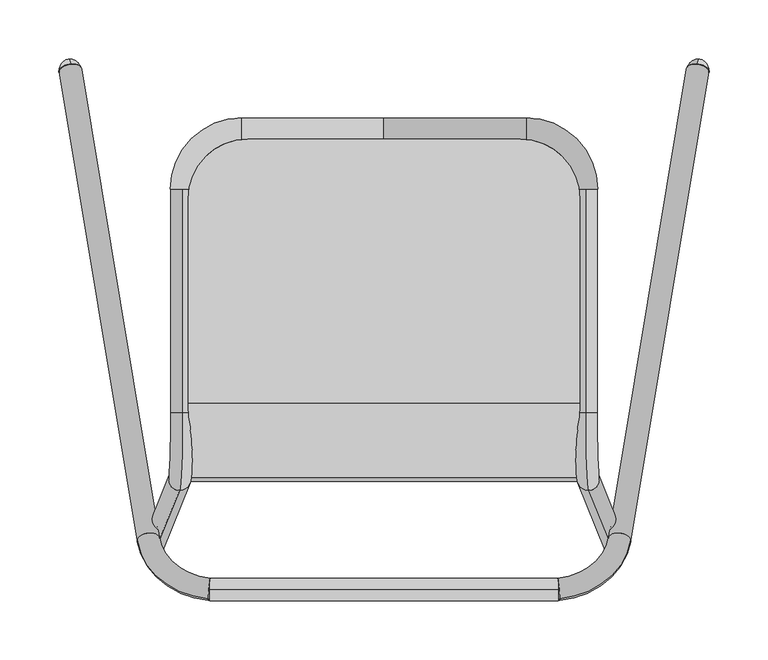
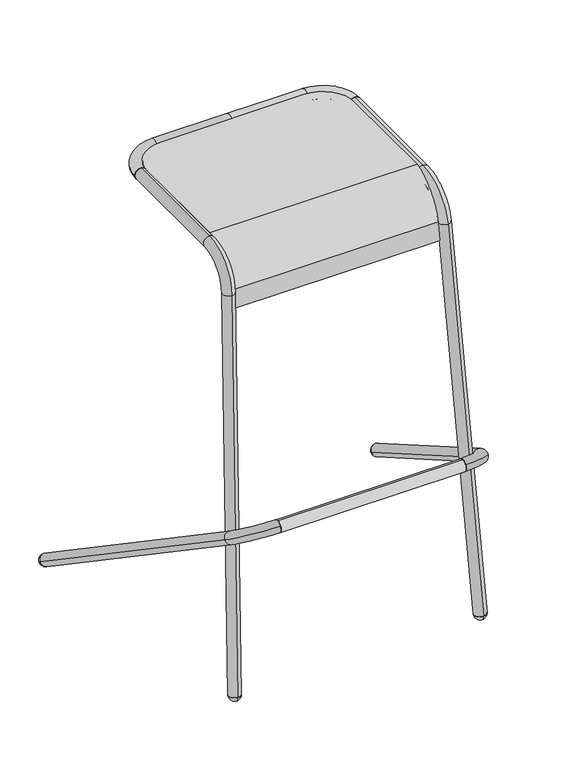
"""IFC4 building model written with IfcOpenShell, lengths in millimetres: furniture geometry."""

from ifc_helpers import new_model, si_unit, point, frame, frame_2d, origin, place, context, project, spatial, polyline, circle_curve, ellipse_curve, trimmed, segment, composite_curve, outline, extrude, source, transform, mapped, element, save
from ifc_brep_helpers import plane_surface, cylinder_surface, revolved_surface, advanced_brep


def furniture_110c650b(model_context):
    return source(origin(), model_context, "Body", "SolidModel", [
        advanced_brep(
        [(166.1553626, 13.2289178, 706.2716814), (-166.1553626, 13.2289178, 706.2716814), (-166.1553626, -50.0294455, 648.3060711), (166.1553626, -50.0294455, 648.3060711), (-166.1553626, -52.7052818, 617.7211229), (166.1553626, -52.7052818, 617.7211229), (-166.1553626, -49.5181538, 617.7211229), (166.1553626, -49.5181538, 617.7211229), (-166.1553626, -46.8665274, 648.0293516), (166.1553626, -46.8665274, 648.0293516), (-166.1553626, 13.2289178, 703.0966814), (166.1553626, 13.2289178, 703.0966814), (-166.1553626, 187.0067261, 703.0966814), (-115.3553626, 237.8067261, 703.0966814), (115.3553626, 237.8067261, 703.0966814), (166.1553626, 187.0067261, 703.0966814), (166.1553626, 187.0067261, 706.2716814), (115.3553626, 237.8067261, 706.2716814), (-115.3553626, 237.8067261, 706.2716814), (-166.1553626, 187.0067261, 706.2716814)],
        [
            (0, 1),
            (1, 2, circle_curve(frame((-166.1553626, 13.2289178, 642.7716814), z_axis=(1.0, 0.0, 0.0), x_axis=(0.0, 0.0, 1.0)), 63.5)),
            (2, 3),
            (3, 0, circle_curve(frame((166.1553626, 13.2289178, 642.7716814), z_axis=(-1.0, 0.0, 0.0), x_axis=(0.0, 0.0, 1.0)), 63.5)),
            (2, 4),
            (4, 5),
            (5, 3),
            (4, 6),
            (6, 7),
            (7, 5),
            (6, 8),
            (8, 9),
            (9, 7),
            (8, 10, circle_curve(frame((-166.1553626, 13.2289178, 642.7716814), z_axis=(-1.0, 0.0, 0.0), x_axis=(0.0, 0.0, 1.0)), 60.325)),
            (10, 11),
            (11, 9, circle_curve(frame((166.1553626, 13.2289178, 642.7716814), z_axis=(1.0, 0.0, 0.0), x_axis=(0.0, 0.0, 1.0)), 60.325)),
            (10, 12),
            (12, 13, circle_curve(frame((-115.3553626, 187.0067261, 703.0966814), z_axis=(0.0, 0.0, -1.0), x_axis=(0.0, -1.0, 0.0)), 50.8)),
            (13, 14),
            (14, 15, circle_curve(frame((115.3553626, 187.0067261, 703.0966814), z_axis=(0.0, 0.0, -1.0), x_axis=(0.0, -1.0, 0.0)), 50.8)),
            (15, 11),
            (0, 16),
            (16, 17, circle_curve(frame((115.3553626, 187.0067261, 706.2716814), z_axis=(0.0, 0.0, 1.0), x_axis=(0.0, -1.0, 0.0)), 50.8)),
            (17, 18),
            (18, 19, circle_curve(frame((-115.3553626, 187.0067261, 706.2716814), z_axis=(0.0, 0.0, 1.0), x_axis=(0.0, -1.0, 0.0)), 50.8)),
            (19, 1),
            (19, 12),
            (18, 13),
            (17, 14),
            (16, 15),
        ],
        [
            cylinder_surface(frame((-177.8, 13.2289178, 642.7716814), z_axis=(1.0, 0.0, 0.0), x_axis=(0.0, 0.0, 1.0)), 63.5),
            plane_surface(frame((177.8, -50.0294455, 648.3060711), z_axis=(0.0, -0.9961946980917477, 0.08715574274763373), x_axis=(-1.0, 0.0, 0.0))),
            plane_surface(frame((177.8, -52.7052818, 617.7211229), z_axis=(0.0, 0.0, -1.0), x_axis=(-1.0, 0.0, 0.0))),
            plane_surface(frame((177.8, -49.5181538, 617.7211229), z_axis=(0.0, 0.9961946980917455, -0.08715574274765774), x_axis=(-1.0, 0.0, 0.0))),
            revolved_surface(polyline([(-166.1553626, 13.2289178, 703.0966814000001), (166.1553626, 13.2289178, 703.0966814000001)]), (-177.8, 13.2289178, 642.7716814), (-1.0, 0.0, 0.0)),
            plane_surface(frame((177.8, 13.2289178, 703.0966814), z_axis=(0.0, 0.0, -1.0), x_axis=(-1.0, 0.0, 0.0))),
            plane_surface(frame((177.8, 246.3238297, 706.2716814), z_axis=(0.0, 0.0, 1.0), x_axis=(-1.0, 0.0, 0.0))),
            plane_surface(frame((-166.1553626, -97.7641973, 876.3), z_axis=(-1.0, 0.0, 0.0), x_axis=(0.0, 0.0, -1.0))),
            cylinder_surface(frame((-115.3553626, 187.0067261, 564.8398382), z_axis=(0.0, 0.0, -1.0), x_axis=(0.0, -1.0, 0.0)), 50.8),
            plane_surface(frame((-115.3553626, 237.8067261, 876.3), z_axis=(0.0, 1.0, 0.0), x_axis=(0.0, 0.0, -1.0))),
            cylinder_surface(frame((115.3553626, 187.0067261, 564.8398382), z_axis=(0.0, 0.0, -1.0), x_axis=(0.0, -1.0, 0.0)), 50.8),
            plane_surface(frame((166.1553626, 187.0067261, 876.3), z_axis=(1.0, 0.0, 0.0), x_axis=(0.0, 0.0, -1.0))),
        ],
        [
            (0, [[1, 2, 3, 4]]),
            (1, [[-3, 5, 6, 7]]),
            (2, [[-6, 8, 9, 10]]),
            (3, [[-9, 11, 12, 13]]),
            (4, [[-12, 14, 15, 16]]),
            (5, [[-15, 17, 18, 19, 20, 21]]),
            (6, [[-1, 22, 23, 24, 25, 26]]),
            (7, [[27, -17, -14, -11, -8, -5, -2, -26]]),
            (8, [[-27, -25, 28, -18]]),
            (9, [[-28, -24, 29, -19]]),
            (10, [[-29, -23, 30, -20]]),
            (11, [[-30, -22, -4, -7, -10, -13, -16, -21]]),
        ],
    ),
        extrude(outline(composite_curve([segment(trimmed(circle_curve(frame_2d((-144.5282705, 298.5492187)), 9.525), [point((-144.5282705, 289.0242187))], [point((-144.5282705, 308.0742187))], False, "CARTESIAN"), True, "CONTINUOUS"), segment(trimmed(circle_curve(frame_2d((-144.5282705, 298.5492187)), 9.525), [point((-144.5282705, 308.0742187))], [point((-144.5282705, 289.0242187))], False, "CARTESIAN"), True, "CONTINUOUS")], self_intersect=False)), frame((-147.9351563, 0.0, 0.0), z_axis=(1.0, 0.0, 0.0), x_axis=(0.0, 1.0, 0.0)), (0.0, 0.0, 1.0), 295.8703125),
        advanced_brep(
        [(267.3511482, 302.8554624, 11.3608379), (267.909329, 299.9320435, 6.951825), (266.7929674, 305.7788813, 15.7698507), (265.2733289, 301.5607787, 23.4390126), (267.2706493, 291.1000036, 7.6623849), (266.2719891, 296.3303912, 15.5506988)],
        [
            (0, 1),
            (1, 2, circle_curve(frame((267.3511482, 302.8554624, 11.3608379), z_axis=(0.13783805935553609, 0.8334296167362872, -0.535159549424193), x_axis=(0.10493059011884284, -0.5495639765616034, -0.828835934864741)), 5.3195242)),
            (2, 0),
            (2, 1, circle_curve(frame((267.3511482, 302.8554624, 11.3608379), z_axis=(0.13783805935553609, 0.8334296167362872, -0.535159549424193), x_axis=(0.10493059011884284, -0.5495639765616034, -0.828835934864741)), 5.3195242)),
            (3, 4, circle_curve(frame((266.2719891, 296.3303912, 15.5506988), z_axis=(-0.13783805935553609, -0.8334296167362872, 0.535159549424193), x_axis=(0.10493059011884284, -0.5495639765616034, -0.828835934864741)), 9.5173406)),
            (4, 5),
            (5, 3),
            (4, 3, circle_curve(frame((266.2719891, 296.3303912, 15.5506988), z_axis=(-0.13783805935553609, -0.8334296167362872, 0.535159549424193), x_axis=(0.10493059011884284, -0.5495639765616034, -0.828835934864741)), 9.5173406)),
            (1, 4, circle_curve(frame((265.7476607, 296.5740086, 18.8015741), z_axis=(-0.9848808256080588, 0.05809052945707333, -0.1632030935276227), x_axis=(-0.12781551371487535, -0.8795865336707184, 0.4582474486987713)), 12.5046296)),
            (3, 2, circle_curve(frame((266.3527626, 293.4048449, 14.0219362), z_axis=(-0.9848808256080589, 0.05809052945706945, -0.16320309352762402), x_axis=(-0.1467377232844927, -0.7804832624069772, 0.6077120351513912)), 12.5046296)),
        ],
        [
            plane_surface(frame((267.3511482, 302.8554624, 11.3608379), z_axis=(0.13783805935553545, 0.8334296167362873, -0.5351595494241931), x_axis=(0.10493059011884281, -0.5495639765616033, -0.8288359348647408))),
            plane_surface(frame((266.2719891, 296.3303912, 15.5506988), z_axis=(-0.13783805935553545, -0.8334296167362873, 0.5351595494241931), x_axis=(0.10493059011884281, -0.5495639765616033, -0.8288359348647408))),
            revolved_surface(trimmed(ellipse_curve(frame((265.7476607, 296.5740086, 18.8015741), z_axis=(0.9848808256080588, -0.05809052945707333, 0.1632030935276227), x_axis=(-0.12781551371487535, -0.8795865336707184, 0.4582474486987713)), 12.5046296, 12.5046296), [point((267.2706493, 291.1000036, 7.6623849))], [point((267.909329, 299.9320435, 6.951825))], True, "CARTESIAN"), (268.3000597, 308.5929994, 7.6766662), (0.13783805935553609, 0.8334296167362872, -0.535159549424193)),
            revolved_surface(trimmed(ellipse_curve(frame((265.7476607, 296.5740086, 18.8015741), z_axis=(0.9848808256080588, -0.05809052945707386, 0.16320309352762305), x_axis=(-0.12781551371487596, -0.8795865336707183, 0.45824744869877126)), 12.5046296, 12.5046296), [point((267.2706493, 291.1000036, 7.6623849))], [point((267.909329, 299.9320435, 6.951825))], True, "CARTESIAN"), (268.3000597, 308.5929994, 7.6766662), (0.13783805935553609, 0.8334296167362872, -0.535159549424193)),
        ],
        [
            (0, [[1, 2, 3]]),
            (0, [[-3, 4, -1]]),
            (1, [[5, 6, 7]]),
            (1, [[8, -7, -6]]),
            (2, [[-2, 9, -5, 10]]),
            (3, [[-4, -10, -8, -9]]),
        ],
    ),
        advanced_brep(
        [(256.4107109, 297.3629354, 14.8032444), (275.2788744, 295.153413, 16.2220169), (209.4590818, -102.8220432, 271.76893), (190.5909182, -100.6125208, 270.3501575), (146.8976341, -136.3228435, 293.2803724), (148.9726784, -152.2573059, 303.5121659)],
        [
            (0, 1, circle_curve(frame((265.8447926, 296.2581742, 15.5126307), z_axis=(0.13783805935553617, 0.8334296167362902, -0.5351595494241881), x_axis=(0.9904547790752992, -0.11598542750998722, 0.07447624595953939)), 9.525)),
            (1, 0, circle_curve(frame((265.8447926, 296.2581742, 15.5126307), z_axis=(0.13783805935553617, 0.8334296167362902, -0.5351595494241881), x_axis=(0.9904547790752992, -0.11598542750998722, 0.07447624595953939)), 9.525)),
            (1, 2),
            (2, 3, circle_curve(frame((200.025, -101.717282, 271.0595438), z_axis=(0.13783805935553617, 0.8334296167362902, -0.5351595494241881), x_axis=(0.9904547790752992, -0.11598542750998722, 0.07447624595953939)), 9.525)),
            (3, 0),
            (3, 2, circle_curve(frame((200.025, -101.717282, 271.0595438), z_axis=(0.13783805935553617, 0.8334296167362902, -0.5351595494241881), x_axis=(0.9904547790752992, -0.11598542750998722, 0.07447624595953939)), 9.525)),
            (4, 5, circle_curve(frame((147.9351563, -144.2900747, 298.3962691), z_axis=(-0.9940498379357217, -0.09165721968122494, 0.058854683588252375), x_axis=(0.10892621218038215, -0.8364547205486779, 0.5371020208227371)), 9.525)),
            (5, 4, circle_curve(frame((147.9351563, -144.2900747, 298.3962691), z_axis=(-0.9940498379357217, -0.09165721968122494, 0.058854683588252375), x_axis=(0.10892621218038215, -0.8364547205486779, 0.5371020208227371)), 9.525)),
            (4, 3, circle_curve(frame((141.4986667, -94.8636609, 266.6587153), z_axis=(0.0, 0.5403169945061194, 0.8414615531608525), x_axis=(0.9904547790752998, -0.11598542750999317, 0.07447624595952285)), 49.5653638)),
            (2, 5, circle_curve(frame((141.4986667, -94.8636609, 266.6587153), z_axis=(0.0, -0.5403169945061194, -0.8414615531608525), x_axis=(0.9904547790752998, -0.11598542750999317, 0.07447624595952285)), 68.6153638)),
        ],
        [
            plane_surface(frame((265.8447926, 296.2581742, 15.5126307), z_axis=(0.13783805935553614, 0.8334296167362902, -0.5351595494241881), x_axis=(0.0, 0.5403169945061194, 0.8414615531608525))),
            cylinder_surface(frame((265.8447926, 296.2581742, 15.5126307), z_axis=(0.13783805935553617, 0.8334296167362902, -0.5351595494241881), x_axis=(0.9904547790752992, -0.11598542750998722, 0.07447624595953939)), 9.525),
            plane_surface(frame((147.9351563, -144.2900747, 298.3962691), z_axis=(-0.9940498379357217, -0.09165721968122498, 0.05885468358825242), x_axis=(0.0, 0.5403169945061336, 0.8414615531608435))),
            revolved_surface(trimmed(ellipse_curve(frame((200.025, -101.717282, 271.0595438), z_axis=(0.13783805935553226, 0.8334296167362908, -0.5351595494241884), x_axis=(0.9904547790752998, -0.11598542750998395, 0.07447624595953727)), 9.525, 9.525), [point((209.4590818, -102.8220432, 271.76893))], [point((190.5909182, -100.6125208, 270.3501575))], True, "CARTESIAN"), (141.4986667, -94.8636609, 266.6587153), (0.0, -0.5403169945061194, -0.8414615531608525)),
            revolved_surface(trimmed(ellipse_curve(frame((200.025, -101.717282, 271.0595438), z_axis=(0.13783805935553226, 0.8334296167362908, -0.5351595494241884), x_axis=(0.9904547790752998, -0.11598542750998395, 0.07447624595953727)), 9.525, 9.525), [point((190.5909182, -100.6125208, 270.3501575))], [point((209.4590818, -102.8220432, 271.76893))], True, "CARTESIAN"), (141.4986667, -94.8636609, 266.6587153), (0.0, -0.5403169945061194, -0.8414615531608525)),
        ],
        [
            (0, [[1, 2]]),
            (1, [[-2, 3, 4, 5]]),
            (1, [[-1, -5, 6, -3]]),
            (2, [[7, 8]]),
            (3, [[9, -4, 10, -7]]),
            (4, [[-10, -6, -9, -8]]),
        ],
    ),
        advanced_brep(
        [(-266.7929674, 305.7788813, 15.7698507), (-267.909329, 299.9320435, 6.951825), (-267.3511482, 302.8554624, 11.3608379), (-266.2719891, 296.3303912, 15.5506988), (-267.2706493, 291.1000036, 7.6623849), (-265.2733289, 301.5607787, 23.4390126)],
        [
            (0, 1, circle_curve(frame((-267.3511482, 302.8554624, 11.3608379), z_axis=(-0.13783805935554708, 0.8334296167362872, -0.5351595494241901), x_axis=(-0.10493059011885986, -0.5495639765616034, -0.8288359348647388)), 5.3195242)),
            (1, 2),
            (2, 0),
            (1, 0, circle_curve(frame((-267.3511482, 302.8554624, 11.3608379), z_axis=(-0.13783805935554708, 0.8334296167362872, -0.5351595494241901), x_axis=(-0.10493059011885986, -0.5495639765616034, -0.8288359348647388)), 5.3195242)),
            (3, 4),
            (4, 5, circle_curve(frame((-266.2719891, 296.3303912, 15.5506988), z_axis=(0.13783805935554708, -0.8334296167362872, 0.5351595494241901), x_axis=(-0.10493059011885986, -0.5495639765616034, -0.8288359348647388)), 9.5173406)),
            (5, 3),
            (5, 4, circle_curve(frame((-266.2719891, 296.3303912, 15.5506988), z_axis=(0.13783805935554708, -0.8334296167362872, 0.5351595494241901), x_axis=(-0.10493059011885986, -0.5495639765616034, -0.8288359348647388)), 9.5173406)),
            (4, 1, circle_curve(frame((-265.7476607, 296.5740086, 18.8015741), z_axis=(0.9848808256080552, 0.058090529457073374, -0.16320309352764295), x_axis=(0.12781551371488478, -0.8795865336707184, 0.4582474486987683)), 12.5046296)),
            (0, 5, circle_curve(frame((-266.3527626, 293.4048449, 14.0219362), z_axis=(0.9848808256080553, 0.05809052945706939, -0.16320309352764417), x_axis=(0.14673772328450513, -0.780483262406977, 0.607712035151388)), 12.5046296)),
        ],
        [
            plane_surface(frame((-267.3511482, 302.8554624, 11.3608379), z_axis=(-0.1378380593555465, 0.8334296167362875, -0.5351595494241903), x_axis=(-0.10493059011885986, -0.5495639765616034, -0.8288359348647388))),
            plane_surface(frame((-266.2719891, 296.3303912, 15.5506988), z_axis=(0.1378380593555465, -0.8334296167362875, 0.5351595494241903), x_axis=(-0.10493059011885986, -0.5495639765616034, -0.8288359348647388))),
            revolved_surface(trimmed(ellipse_curve(frame((-265.7476607, 296.5740086, 18.8015741), z_axis=(-0.9848808256080552, -0.058090529457073374, 0.16320309352764295), x_axis=(0.12781551371488478, -0.8795865336707184, 0.4582474486987683)), 12.5046296, 12.5046296), [point((-267.909329, 299.9320435, 6.951825))], [point((-267.2706493, 291.1000036, 7.6623849))], True, "CARTESIAN"), (-268.3000597, 308.5929994, 7.6766662), (0.13783805935554708, -0.8334296167362872, 0.5351595494241901)),
            revolved_surface(trimmed(ellipse_curve(frame((-265.7476607, 296.5740086, 18.8015741), z_axis=(-0.9848808256080552, -0.05809052945707394, 0.1632030935276433), x_axis=(0.12781551371488542, -0.8795865336707185, 0.4582474486987681)), 12.5046296, 12.5046296), [point((-267.909329, 299.9320435, 6.951825))], [point((-267.2706493, 291.1000036, 7.6623849))], True, "CARTESIAN"), (-268.3000597, 308.5929994, 7.6766662), (0.13783805935554708, -0.8334296167362872, 0.5351595494241901)),
        ],
        [
            (0, [[1, 2, 3]]),
            (0, [[4, -3, -2]]),
            (1, [[5, 6, 7]]),
            (1, [[-7, 8, -5]]),
            (2, [[-6, 9, -1, 10]]),
            (3, [[-8, -10, -4, -9]]),
        ],
    ),
        advanced_brep(
        [(-275.2788744, 295.153413, 16.2220169), (-256.4107109, 297.3629354, 14.8032444), (-209.4590818, -102.8220432, 271.76893), (-190.5909182, -100.6125208, 270.3501575), (-148.9726784, -152.2573059, 303.5121659), (-146.8976341, -136.3228435, 293.2803724)],
        [
            (0, 1, circle_curve(frame((-265.8447926, 296.2581742, 15.5126307), z_axis=(-0.1378380593555472, 0.8334296167362889, -0.5351595494241872), x_axis=(0.9904547790752977, 0.11598542750999653, -0.07447624595954534)), 9.525)),
            (1, 0, circle_curve(frame((-265.8447926, 296.2581742, 15.5126307), z_axis=(-0.1378380593555472, 0.8334296167362889, -0.5351595494241872), x_axis=(0.9904547790752977, 0.11598542750999653, -0.07447624595954534)), 9.525)),
            (0, 2),
            (2, 3, circle_curve(frame((-200.025, -101.717282, 271.0595438), z_axis=(-0.1378380593555472, 0.8334296167362889, -0.5351595494241872), x_axis=(0.9904547790752977, 0.11598542750999653, -0.07447624595954534)), 9.525)),
            (3, 1),
            (3, 2, circle_curve(frame((-200.025, -101.717282, 271.0595438), z_axis=(-0.1378380593555472, 0.8334296167362889, -0.5351595494241872), x_axis=(0.9904547790752977, 0.11598542750999653, -0.07447624595954534)), 9.525)),
            (4, 5, circle_curve(frame((-147.9351562, -144.2900747, 298.3962691), z_axis=(0.9940498379357228, -0.09165721968122369, 0.05885468358823385), x_axis=(0.1089262121803711, 0.8364547205486871, -0.5371020208227247)), 9.525)),
            (5, 4, circle_curve(frame((-147.9351562, -144.2900747, 298.3962691), z_axis=(0.9940498379357228, -0.09165721968122369, 0.05885468358823385), x_axis=(0.1089262121803711, 0.8364547205486871, -0.5371020208227247)), 9.525)),
            (5, 3, circle_curve(frame((-141.4986667, -94.8636609, 266.6587153), z_axis=(0.0, -0.5403169945061194, -0.8414615531608525), x_axis=(-0.9904547790752984, -0.11598542750999168, 0.07447624595954223)), 49.5653638)),
            (2, 4, circle_curve(frame((-141.4986667, -94.8636609, 266.6587153), z_axis=(0.0, 0.5403169945061194, 0.8414615531608525), x_axis=(-0.9904547790752984, -0.11598542750999168, 0.07447624595954223)), 68.6153638)),
        ],
        [
            plane_surface(frame((-265.8447926, 296.2581742, 15.5126307), z_axis=(-0.13783805935554716, 0.833429616736289, -0.5351595494241873), x_axis=(0.0, 0.5403169945061194, 0.8414615531608525))),
            cylinder_surface(frame((-265.8447926, 296.2581742, 15.5126307), z_axis=(-0.13783805935554722, 0.8334296167362891, -0.5351595494241873), x_axis=(0.9904547790752977, 0.11598542750999653, -0.07447624595954534)), 9.525),
            plane_surface(frame((-147.9351563, -144.2900747, 298.3962691), z_axis=(0.9940498379357229, -0.09165721968122388, 0.058854683588233724), x_axis=(0.0, 0.5403169945061194, 0.8414615531608526))),
            revolved_surface(trimmed(ellipse_curve(frame((-200.025, -101.717282, 271.0595438), z_axis=(-0.1378380593555415, 0.8334296167362898, -0.5351595494241875), x_axis=(0.9904547790752984, 0.11598542750999175, -0.07447624595954222)), 9.525, 9.525), [point((-209.4590818, -102.8220432, 271.76893))], [point((-190.5909182, -100.6125208, 270.3501575))], True, "CARTESIAN"), (-141.4986667, -94.8636609, 266.6587153), (0.0, 0.5403169945061194, 0.8414615531608525)),
            revolved_surface(trimmed(ellipse_curve(frame((-200.025, -101.717282, 271.0595438), z_axis=(-0.1378380593555415, 0.8334296167362898, -0.5351595494241875), x_axis=(0.9904547790752984, 0.11598542750999175, -0.07447624595954222)), 9.525, 9.525), [point((-190.5909182, -100.6125208, 270.3501575))], [point((-209.4590818, -102.8220432, 271.76893))], True, "CARTESIAN"), (-141.4986667, -94.8636609, 266.6587153), (0.0, 0.5403169945061194, 0.8414615531608525)),
        ],
        [
            (0, [[1, 2]]),
            (1, [[-1, 3, 4, 5]]),
            (1, [[-2, -5, 6, -3]]),
            (2, [[7, 8]]),
            (3, [[9, -4, 10, -8]]),
            (4, [[-10, -6, -9, -7]]),
        ],
    ),
        advanced_brep(
        [(0.0, 255.6638378, 698.5), (120.65, 255.6638378, 698.5), (120.65, 236.6138378, 698.5), (0.0, 236.6138378, 698.5), (162.1250464, 195.1387915, 698.5), (181.1750464, 195.1387915, 698.5), (-120.65, 255.6638378, 698.5), (-120.65, 236.6138378, 698.5), (-181.1750464, 195.1387915, 698.5), (-162.1250464, 195.1387915, 698.5)],
        [
            (0, 1),
            (1, 2, circle_curve(frame((120.65, 246.1388378, 698.5), z_axis=(-1.0, 0.0, 0.0), x_axis=(0.0, 1.0, 0.0)), 9.525)),
            (2, 3),
            (3, 0, circle_curve(frame((0.0, 246.1388378, 698.5), z_axis=(1.0, 0.0, 0.0), x_axis=(0.0, 1.0, 0.0)), 9.525)),
            (0, 3, circle_curve(frame((0.0, 246.1388378, 698.5), z_axis=(1.0, 0.0, 0.0), x_axis=(0.0, 1.0, 0.0)), 9.525)),
            (2, 1, circle_curve(frame((120.65, 246.1388378, 698.5), z_axis=(-1.0, 0.0, 0.0), x_axis=(0.0, 1.0, 0.0)), 9.525)),
            (4, 5, circle_curve(frame((171.6500464, 195.1387915, 698.5), z_axis=(0.0, -1.0, 0.0), x_axis=(1.0, 0.0, 0.0)), 9.525)),
            (5, 4, circle_curve(frame((171.6500464, 195.1387915, 698.5), z_axis=(0.0, -1.0, 0.0), x_axis=(1.0, 0.0, 0.0)), 9.525)),
            (1, 5, circle_curve(frame((120.65, 195.1387915, 698.5), z_axis=(0.0, 0.0, -1.0), x_axis=(0.0, 1.0, 0.0)), 60.5250464)),
            (4, 2, circle_curve(frame((120.65, 195.1387915, 698.5), z_axis=(0.0, 0.0, 1.0), x_axis=(0.0, 1.0, 0.0)), 41.4750464)),
            (0, 6),
            (6, 7, circle_curve(frame((-120.65, 246.1388378, 698.5), z_axis=(1.0, 0.0, 0.0), x_axis=(0.0, -1.0, 0.0)), 9.525)),
            (7, 3),
            (7, 6, circle_curve(frame((-120.65, 246.1388378, 698.5), z_axis=(1.0, 0.0, 0.0), x_axis=(0.0, -1.0, 0.0)), 9.525)),
            (8, 9, circle_curve(frame((-171.6500464, 195.1387915, 698.5), z_axis=(0.0, -1.0, 0.0), x_axis=(1.0, 0.0, 0.0)), 9.525)),
            (9, 8, circle_curve(frame((-171.6500464, 195.1387915, 698.5), z_axis=(0.0, -1.0, 0.0), x_axis=(1.0, 0.0, 0.0)), 9.525)),
            (6, 8, circle_curve(frame((-120.65, 195.1387915, 698.5), z_axis=(0.0, 0.0, 1.0), x_axis=(0.0, 1.0, 0.0)), 60.5250464)),
            (9, 7, circle_curve(frame((-120.65, 195.1387915, 698.5), z_axis=(0.0, 0.0, -1.0), x_axis=(0.0, 1.0, 0.0)), 41.4750464)),
        ],
        [
            cylinder_surface(frame((0.0, 246.1388378, 698.5), z_axis=(-1.0, 0.0, 0.0), x_axis=(0.0, 1.0, 0.0)), 9.525),
            plane_surface(frame((171.6500464, 195.1387915, 698.5), z_axis=(0.0, -1.0, 0.0), x_axis=(0.0, 0.0, 1.0))),
            revolved_surface(trimmed(ellipse_curve(frame((120.65, 246.1388378, 698.5), z_axis=(-1.0, 0.0, 0.0), x_axis=(0.0, 1.0, 0.0)), 9.525, 9.525), [point((120.65, 255.6638378, 698.5))], [point((120.65, 236.6138378, 698.5))], True, "CARTESIAN"), (120.65, 195.1387915, 698.5), (0.0, 0.0, -1.0)),
            revolved_surface(trimmed(ellipse_curve(frame((120.65, 246.1388378, 698.5), z_axis=(-1.0, 0.0, 0.0), x_axis=(0.0, 1.0, 0.0)), 9.525, 9.525), [point((120.65, 236.6138378, 698.5))], [point((120.65, 255.6638378, 698.5))], True, "CARTESIAN"), (120.65, 195.1387915, 698.5), (0.0, 0.0, -1.0)),
            cylinder_surface(frame((0.0, 246.1388378, 698.5), z_axis=(1.0, 0.0, 0.0), x_axis=(0.0, -1.0, 0.0)), 9.525),
            plane_surface(frame((-171.6500464, 195.1387915, 698.5), z_axis=(0.0, -1.0, 0.0), x_axis=(0.0, 0.0, 1.0))),
            revolved_surface(trimmed(ellipse_curve(frame((-120.65, 246.1388378, 698.5), z_axis=(1.0, 0.0, 0.0), x_axis=(0.0, -1.0, 0.0)), 9.525, 9.525), [point((-120.65, 255.6638378, 698.5))], [point((-120.65, 236.6138378, 698.5))], True, "CARTESIAN"), (-120.65, 195.1387915, 698.5), (0.0, 0.0, 1.0)),
            revolved_surface(trimmed(ellipse_curve(frame((-120.65, 246.1388378, 698.5), z_axis=(1.0, 0.0, 0.0), x_axis=(0.0, -1.0, 0.0)), 9.525, 9.525), [point((-120.65, 236.6138378, 698.5))], [point((-120.65, 255.6638378, 698.5))], True, "CARTESIAN"), (-120.65, 195.1387915, 698.5), (0.0, 0.0, 1.0)),
        ],
        [
            (0, [[1, 2, 3, 4]]),
            (0, [[-1, 5, -3, 6]]),
            (1, [[7, 8]]),
            (2, [[-2, 9, -7, 10]]),
            (3, [[-6, -10, -8, -9]]),
            (4, [[11, 12, 13, -5]]),
            (4, [[-11, -4, -13, 14]]),
            (5, [[15, 16]]),
            (6, [[-12, 17, -16, 18]]),
            (7, [[-14, -18, -15, -17]]),
        ],
    ),
        advanced_brep(
        [(196.9923977, -109.5826812, 0.922766), (196.9923856, -114.8804788, 1.4030557), (196.9924098, -104.2848836, 0.4424763), (196.7036668, -99.3978109, 7.8553626), (196.7036236, -118.3547485, 9.5739677), (196.7036452, -108.8762797, 8.7146652)],
        [
            (0, 1),
            (1, 2, circle_curve(frame((196.9923977, -109.5826812, 0.922766), z_axis=(0.03688156795671764, -0.09022675039102243, -0.9952381039022422), x_axis=(-2.2733098768196354e-06, -0.9959156891523456, 0.0902880949795763)), 5.3195242)),
            (2, 0),
            (2, 1, circle_curve(frame((196.9923977, -109.5826812, 0.922766), z_axis=(0.03688156795671764, -0.09022675039102243, -0.9952381039022422), x_axis=(-2.2733098768196354e-06, -0.9959156891523456, 0.0902880949795763)), 5.3195242)),
            (3, 4, circle_curve(frame((196.7036452, -108.8762797, 8.7146652), z_axis=(-0.03688156795671764, 0.09022675039102243, 0.9952381039022422), x_axis=(-2.2733098768196354e-06, -0.9959156891523456, 0.0902880949795763)), 9.5173406)),
            (4, 5),
            (5, 3),
            (4, 3, circle_curve(frame((196.7036452, -108.8762797, 8.7146652), z_axis=(-0.03688156795671764, 0.09022675039102243, 0.9952381039022422), x_axis=(-2.2733098768196354e-06, -0.9959156891523456, 0.0902880949795763)), 9.5173406)),
            (1, 4, circle_curve(frame((196.6443104, -105.8595401, 10.0556431), z_axis=(-0.9993196435274784, -0.003327704026060493, -0.036731137281997), x_axis=(-0.03673154722961979, 6.213954896247542e-05, 0.9993251670886684)), 12.5046296)),
            (3, 2, circle_curve(frame((196.6442973, -111.6026747, 10.5763064), z_axis=(-0.9993196435274784, -0.0033277040260634707, -0.03673113728199406), x_axis=(-0.03673113728199532, 0.17965633950980583, 0.9830434493082739)), 12.5046296)),
        ],
        [
            plane_surface(frame((196.9923977, -109.5826812, 0.922766), z_axis=(0.03688156795671699, -0.09022675039102244, -0.9952381039022423), x_axis=(-2.273309876819635e-06, -0.9959156891523454, 0.09028809497957628))),
            plane_surface(frame((196.7036452, -108.8762797, 8.7146652), z_axis=(-0.03688156795671699, 0.09022675039102244, 0.9952381039022423), x_axis=(-2.273309876819635e-06, -0.9959156891523454, 0.09028809497957628))),
            revolved_surface(trimmed(ellipse_curve(frame((196.6443104, -105.8595401, 10.0556431), z_axis=(0.9993196435274784, 0.003327704026060493, 0.036731137281997), x_axis=(-0.03673154722961979, 6.213954896247542e-05, 0.9993251670886684)), 12.5046296, 12.5046296), [point((196.7036236, -118.3547485, 9.5739677))], [point((196.9923856, -114.8804788, 1.4030557))], True, "CARTESIAN"), (197.2462996, -110.2038246, -5.928701), (0.03688156795671764, -0.09022675039102243, -0.9952381039022422)),
            revolved_surface(trimmed(ellipse_curve(frame((196.6443104, -105.8595401, 10.0556431), z_axis=(0.9993196435274785, 0.0033277040260605534, 0.036731137281997665), x_axis=(-0.03673154722962045, 6.213954896244767e-05, 0.9993251670886685)), 12.5046296, 12.5046296), [point((196.7036236, -118.3547485, 9.5739677))], [point((196.9923856, -114.8804788, 1.4030557))], True, "CARTESIAN"), (197.2462996, -110.2038246, -5.928701), (0.03688156795671764, -0.09022675039102243, -0.9952381039022422)),
        ],
        [
            (0, [[1, 2, 3]]),
            (0, [[-3, 4, -1]]),
            (1, [[5, 6, 7]]),
            (1, [[8, -7, -6]]),
            (2, [[-2, 9, -5, 10]]),
            (3, [[-4, -10, -8, -9]]),
        ],
    ),
        advanced_brep(
        [(170.9552473, 195.1387915, 707.8052995), (171.6607186, 195.1387915, 688.7683667), (171.6607186, 5.8124048, 688.7683667), (170.9552473, 5.8124048, 707.8052995), (196.8298844, -118.3946428, 9.5859406), (196.8935368, -99.422343, 7.8683), (173.2016136, -60.5906444, 647.1877767), (173.2652659, -41.6183447, 645.4701361)],
        [
            (0, 1, circle_curve(frame((171.307983, 195.1387915, 698.2868331), z_axis=(0.0, -1.0, 0.0), x_axis=(0.037032614784238686, 0.0, -0.9993140574625388)), 9.525)),
            (1, 2),
            (2, 3, circle_curve(frame((171.307983, 5.8124048, 698.2868331), z_axis=(0.0, 1.0, 0.0), x_axis=(0.037032614784238686, 0.0, -0.9993140574625388)), 9.525)),
            (3, 0),
            (1, 0, circle_curve(frame((171.307983, 195.1387915, 698.2868331), z_axis=(0.0, -1.0, 0.0), x_axis=(0.037032614784238686, 0.0, -0.9993140574625388)), 9.525)),
            (3, 2, circle_curve(frame((171.307983, 5.8124048, 698.2868331), z_axis=(0.0, 1.0, 0.0), x_axis=(0.037032614784238686, 0.0, -0.9993140574625388)), 9.525)),
            (4, 5, circle_curve(frame((196.8617106, -108.9084929, 8.7271203), z_axis=(0.03688156795671765, -0.09022675039102247, -0.9952381039022423), x_axis=(0.003341332490464373, 0.9959212486506533, -0.09016486002491236)), 9.525)),
            (5, 4, circle_curve(frame((196.8617106, -108.9084929, 8.7271203), z_axis=(0.03688156795671765, -0.09022675039102247, -0.9952381039022423), x_axis=(0.003341332490464373, 0.9959212486506533, -0.09016486002491236)), 9.525)),
            (6, 7, circle_curve(frame((173.2334398, -51.1044946, 646.3289564), z_axis=(0.03688156795671765, -0.09022675039102247, -0.9952381039022423), x_axis=(0.003341332490464373, 0.9959212486506533, -0.09016486002491236)), 9.525)),
            (7, 5),
            (4, 6),
            (7, 6, circle_curve(frame((173.2334398, -51.1044946, 646.3289564), z_axis=(0.03688156795671765, -0.09022675039102247, -0.9952381039022423), x_axis=(0.003341332490464373, 0.9959212486506533, -0.09016486002491236)), 9.525)),
            (6, 3, circle_curve(frame((173.4243969, 5.8124048, 641.1760347), z_axis=(-0.9993140574625388, 0.0, -0.03703261478423869), x_axis=(-0.03703261478423869, 0.0, 0.9993140574625388)), 66.675)),
            (2, 7, circle_curve(frame((173.4243969, 5.8124048, 641.1760347), z_axis=(0.9993140574625388, 0.0, 0.03703261478423869), x_axis=(-0.03703261478423869, 0.0, 0.9993140574625388)), 47.625)),
        ],
        [
            cylinder_surface(frame((171.307983, 195.1387915, 698.2868331), z_axis=(0.0, 1.0, 0.0), x_axis=(0.037032614784238686, 0.0, -0.9993140574625388)), 9.525),
            plane_surface(frame((205.9650571, -108.9084929, 9.0644724), z_axis=(0.036881567956717654, -0.09022675039102243, -0.9952381039022423), x_axis=(0.9993140574625388, 0.0, 0.0370326147842387))),
            cylinder_surface(frame((173.2334398, -51.1044946, 646.3289564), z_axis=(-0.03688156795671765, 0.09022675039102247, 0.9952381039022423), x_axis=(0.003341332490464373, 0.9959212486506533, -0.09016486002491236)), 9.525),
            plane_surface(frame((180.4113295, 195.1387915, 698.6241852), z_axis=(0.0, 1.0, 0.0), x_axis=(0.9993140574625388, 0.0, 0.0370326147842387))),
            revolved_surface(trimmed(ellipse_curve(frame((171.307983, 5.8124048, 698.2868331), z_axis=(0.0, 1.0, 0.0), x_axis=(0.037032614784238686, 0.0, -0.9993140574625388)), 9.525, 9.525), [point((171.6607186, 5.8124048, 688.7683667))], [point((170.9552473, 5.8124048, 707.8052995))], True, "CARTESIAN"), (182.5277435, 5.8124048, 641.5133868), (0.9993140574625388, 0.0, 0.03703261478423869)),
            revolved_surface(trimmed(ellipse_curve(frame((171.307983, 5.8124048, 698.2868331), z_axis=(0.0, 1.0, 0.0), x_axis=(0.037032614784238686, 0.0, -0.9993140574625388)), 9.525, 9.525), [point((170.9552473, 5.8124048, 707.8052995))], [point((171.6607186, 5.8124048, 688.7683667))], True, "CARTESIAN"), (182.5277435, 5.8124048, 641.5133868), (0.9993140574625388, 0.0, 0.03703261478423869)),
        ],
        [
            (0, [[1, 2, 3, 4]]),
            (0, [[5, -4, 6, -2]]),
            (1, [[7, 8]]),
            (2, [[9, 10, -7, 11]]),
            (2, [[12, -11, -8, -10]]),
            (3, [[-5, -1]]),
            (4, [[13, -3, 14, -9]]),
            (5, [[-14, -6, -13, -12]]),
        ],
    ),
        advanced_brep(
        [(-196.9924098, -104.2848836, 0.4424763), (-196.9923856, -114.8804788, 1.4030557), (-196.9923977, -109.5826812, 0.922766), (-196.7036452, -108.8762797, 8.7146652), (-196.7036236, -118.3547485, 9.5739677), (-196.7036668, -99.3978109, 7.8553626)],
        [
            (0, 1, circle_curve(frame((-196.9923977, -109.5826812, 0.922766), z_axis=(-0.036881567956738096, -0.09022675039102243, -0.9952381039022414), x_axis=(2.2733098786744885e-06, -0.9959156891523456, 0.0902880949795763)), 5.3195242)),
            (1, 2),
            (2, 0),
            (1, 0, circle_curve(frame((-196.9923977, -109.5826812, 0.922766), z_axis=(-0.036881567956738096, -0.09022675039102243, -0.9952381039022414), x_axis=(2.2733098786744885e-06, -0.9959156891523456, 0.0902880949795763)), 5.3195242)),
            (3, 4),
            (4, 5, circle_curve(frame((-196.7036452, -108.8762797, 8.7146652), z_axis=(0.036881567956738096, 0.09022675039102243, 0.9952381039022414), x_axis=(2.2733098786744885e-06, -0.9959156891523456, 0.0902880949795763)), 9.5173406)),
            (5, 3),
            (5, 4, circle_curve(frame((-196.7036452, -108.8762797, 8.7146652), z_axis=(0.036881567956738096, 0.09022675039102243, 0.9952381039022414), x_axis=(2.2733098786744885e-06, -0.9959156891523456, 0.0902880949795763)), 9.5173406)),
            (4, 1, circle_curve(frame((-196.6443104, -105.8595401, 10.0556431), z_axis=(0.9993196435274776, -0.0033277040260604918, -0.03673113728201753), x_axis=(0.036731547229640324, 6.213954896244767e-05, 0.9993251670886676)), 12.5046296)),
            (0, 5, circle_curve(frame((-196.6442973, -111.6026747, 10.5763064), z_axis=(0.9993196435274776, -0.003327704026063471, -0.0367311372820146), x_axis=(0.03673113728201553, 0.17965633950980586, 0.9830434493082731)), 12.5046296)),
        ],
        [
            plane_surface(frame((-196.9923977, -109.5826812, 0.922766), z_axis=(-0.03688156795673744, -0.09022675039102244, -0.9952381039022415), x_axis=(2.273309878674488e-06, -0.9959156891523454, 0.09028809497957628))),
            plane_surface(frame((-196.7036452, -108.8762797, 8.7146652), z_axis=(0.03688156795673744, 0.09022675039102244, 0.9952381039022415), x_axis=(2.273309878674488e-06, -0.9959156891523454, 0.09028809497957628))),
            revolved_surface(trimmed(ellipse_curve(frame((-196.6443104, -105.8595401, 10.0556431), z_axis=(-0.9993196435274776, 0.0033277040260604918, 0.03673113728201753), x_axis=(0.036731547229640324, 6.213954896244767e-05, 0.9993251670886676)), 12.5046296, 12.5046296), [point((-196.9923856, -114.8804788, 1.4030557))], [point((-196.7036236, -118.3547485, 9.5739677))], True, "CARTESIAN"), (-197.2462996, -110.2038246, -5.928701), (0.036881567956738096, 0.09022675039102243, 0.9952381039022414)),
            revolved_surface(trimmed(ellipse_curve(frame((-196.6443104, -105.8595401, 10.0556431), z_axis=(-0.9993196435274777, 0.0033277040260605525, 0.0367311372820182), x_axis=(0.03673154722964098, 6.213954896240603e-05, 0.9993251670886676)), 12.5046296, 12.5046296), [point((-196.9923856, -114.8804788, 1.4030557))], [point((-196.7036236, -118.3547485, 9.5739677))], True, "CARTESIAN"), (-197.2462996, -110.2038246, -5.928701), (0.036881567956738096, 0.09022675039102243, 0.9952381039022414)),
        ],
        [
            (0, [[1, 2, 3]]),
            (0, [[4, -3, -2]]),
            (1, [[5, 6, 7]]),
            (1, [[-7, 8, -5]]),
            (2, [[-6, 9, -1, 10]]),
            (3, [[-8, -10, -4, -9]]),
        ],
    ),
        advanced_brep(
        [(-170.9552473, 195.1387915, 707.8052995), (-171.6607186, 195.1387915, 688.7683667), (-171.6607186, 5.8124048, 688.7683667), (-170.9552473, 5.8124048, 707.8052995), (-196.8935368, -99.422343, 7.8683), (-196.8298844, -118.3946428, 9.5859406), (-173.2016136, -60.5906444, 647.1877767), (-173.2652659, -41.6183447, 645.4701361)],
        [
            (0, 1, circle_curve(frame((-171.307983, 195.1387915, 698.2868331), z_axis=(0.0, -1.0, 0.0), x_axis=(0.03703261478425923, 0.0, 0.9993140574625381)), 9.525)),
            (1, 2),
            (2, 3, circle_curve(frame((-171.307983, 5.8124048, 698.2868331), z_axis=(0.0, 1.0, 0.0), x_axis=(0.03703261478425923, 0.0, 0.9993140574625381)), 9.525)),
            (3, 0),
            (1, 0, circle_curve(frame((-171.307983, 195.1387915, 698.2868331), z_axis=(0.0, -1.0, 0.0), x_axis=(0.03703261478425923, 0.0, 0.9993140574625381)), 9.525)),
            (3, 2, circle_curve(frame((-171.307983, 5.8124048, 698.2868331), z_axis=(0.0, 1.0, 0.0), x_axis=(0.03703261478425923, 0.0, 0.9993140574625381)), 9.525)),
            (4, 5, circle_curve(frame((-196.8617106, -108.9084929, 8.7271203), z_axis=(-0.03688156795673812, -0.09022675039102249, -0.9952381039022415), x_axis=(0.0033413324904662534, -0.9959212486506533, 0.09016486002491231)), 9.525)),
            (5, 4, circle_curve(frame((-196.8617106, -108.9084929, 8.7271203), z_axis=(-0.03688156795673812, -0.09022675039102249, -0.9952381039022415), x_axis=(0.0033413324904662534, -0.9959212486506533, 0.09016486002491231)), 9.525)),
            (6, 7, circle_curve(frame((-173.2334398, -51.1044946, 646.3289564), z_axis=(-0.03688156795673812, -0.09022675039102249, -0.9952381039022415), x_axis=(0.0033413324904662534, -0.9959212486506533, 0.09016486002491231)), 9.525)),
            (7, 4),
            (5, 6),
            (7, 6, circle_curve(frame((-173.2334398, -51.1044946, 646.3289564), z_axis=(-0.03688156795673812, -0.09022675039102249, -0.9952381039022415), x_axis=(0.0033413324904662534, -0.9959212486506533, 0.09016486002491231)), 9.525)),
            (6, 3, circle_curve(frame((-173.4243969, 5.8124048, 641.1760347), z_axis=(-0.999314057462538, 0.0, 0.03703261478425923), x_axis=(0.03703261478425923, 0.0, 0.999314057462538)), 66.675)),
            (2, 7, circle_curve(frame((-173.4243969, 5.8124048, 641.1760347), z_axis=(0.999314057462538, 0.0, -0.03703261478425923), x_axis=(0.03703261478425923, 0.0, 0.999314057462538)), 47.625)),
        ],
        [
            cylinder_surface(frame((-171.307983, 195.1387915, 698.2868331), z_axis=(0.0, 1.0, 0.0), x_axis=(0.03703261478425923, 0.0, 0.9993140574625381)), 9.525),
            plane_surface(frame((-205.9650571, -108.9084929, 9.0644724), z_axis=(-0.036881567956738096, -0.09022675039102243, -0.9952381039022414), x_axis=(-0.999314057462538, 0.0, 0.03703261478425923))),
            cylinder_surface(frame((-173.2334398, -51.1044946, 646.3289564), z_axis=(0.03688156795673812, 0.09022675039102249, 0.9952381039022415), x_axis=(0.0033413324904662534, -0.9959212486506533, 0.09016486002491231)), 9.525),
            plane_surface(frame((-180.4113295, 195.1387915, 698.6241852), z_axis=(0.0, 1.0, 0.0), x_axis=(-0.999314057462538, 0.0, 0.03703261478425923))),
            revolved_surface(trimmed(ellipse_curve(frame((-171.307983, 5.8124048, 698.2868331), z_axis=(0.0, 1.0, 0.0), x_axis=(0.03703261478425923, 0.0, 0.999314057462538)), 9.525, 9.525), [point((-171.6607186, 5.8124048, 688.7683667))], [point((-170.9552473, 5.8124048, 707.8052995))], True, "CARTESIAN"), (-182.5277435, 5.8124048, 641.5133868), (0.999314057462538, 0.0, -0.03703261478425923)),
            revolved_surface(trimmed(ellipse_curve(frame((-171.307983, 5.8124048, 698.2868331), z_axis=(0.0, 1.0, 0.0), x_axis=(0.03703261478425923, 0.0, 0.999314057462538)), 9.525, 9.525), [point((-170.9552473, 5.8124048, 707.8052995))], [point((-171.6607186, 5.8124048, 688.7683667))], True, "CARTESIAN"), (-182.5277435, 5.8124048, 641.5133868), (0.999314057462538, 0.0, -0.03703261478425923)),
        ],
        [
            (0, [[1, 2, 3, 4]]),
            (0, [[5, -4, 6, -2]]),
            (1, [[7, 8]]),
            (2, [[9, 10, -8, 11]]),
            (2, [[12, -11, -7, -10]]),
            (3, [[-1, -5]]),
            (4, [[13, -3, 14, -9]]),
            (5, [[-14, -6, -13, -12]]),
        ],
    ),
    ])


if __name__ == "__main__":
    model = new_model("IFC4")
    model_context = context("Model", 3, world=origin())
    ifc_project = project(units=[si_unit("LENGTHUNIT", "METRE", prefix="MILLI")], contexts=[model_context])
    site = spatial("IfcSite", under=ifc_project)
    building = spatial("IfcBuilding", under=site)
    placement = place(None, origin())
    furniture_shape = furniture_110c650b(model_context)
    element("IfcFurniture", 1, at=placement, inside=building, context=model_context, shape_type="MappedRepresentation", body=[
        mapped(furniture_shape, transform((0.0, 0.0, 0.0), x_axis=(1.0, 0.0, 0.0), y_axis=(0.0, 1.0, 0.0), z_axis=(0.0, 0.0, 1.0))),
    ])
    save(model, "model.ifc")
